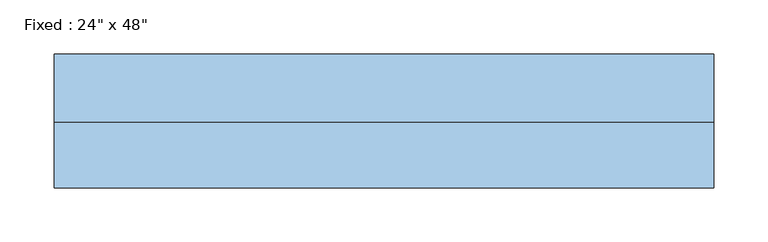
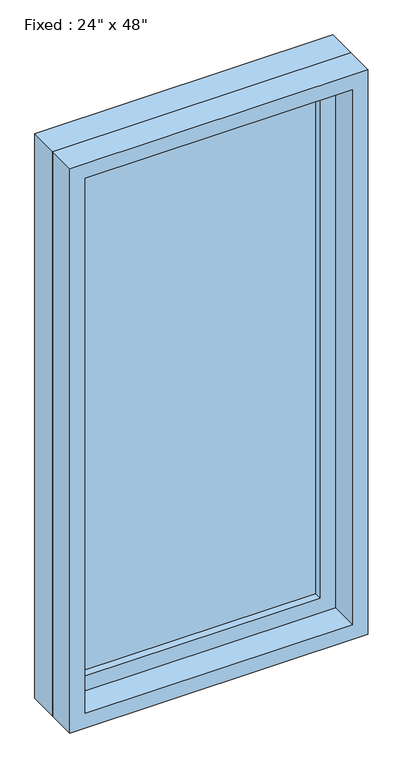
"""IFC4 building model written with IfcOpenShell, lengths in millimetres: window geometry."""

from ifc_helpers import new_model, si_unit, frame, origin, place, context, project, spatial, polyline, outline, extrude, source, transform, mapped, element, save


def window_767f6805(model_context):
    return source(origin(), model_context, "Body", "SweptSolid", [
        extrude(outline(polyline([(203.2, 14.2875), (-279.4, 14.2875), (-279.4, 26.9875), (203.2, 26.9875), (203.2, 14.2875)])), frame((0.0, 0.0, 977.9), z_axis=(0.0, 0.0, 1.0), x_axis=(1.0, 0.0, 0.0)), (0.0, 0.0, 1.0), 1092.2),
        extrude(outline(polyline([(2114.55, -323.85), (933.45, -323.85), (933.45, 247.65), (2114.55, 247.65), (2114.55, -323.85)]), holes=[polyline([(2070.1, -279.4), (2070.1, 203.2), (977.9, 203.2), (977.9, -279.4), (2070.1, -279.4)])]), frame((0.0, -1.5875, 0.0), z_axis=(0.0, 1.0, 0.0), x_axis=(0.0, 0.0, 1.0)), (0.0, 0.0, 1.0), 44.45),
        extrude(outline(polyline([(2133.6, -342.9), (914.4, -342.9), (914.4, 266.7), (2133.6, 266.7), (2133.6, -342.9)]), holes=[polyline([(2101.85, -311.15), (2101.85, 234.95), (946.15, 234.95), (946.15, -311.15), (2101.85, -311.15)])]), frame((0.0, -61.9125, 0.0), z_axis=(0.0, 1.0, 0.0), x_axis=(0.0, 0.0, 1.0)), (0.0, 0.0, 1.0), 60.325),
        extrude(outline(polyline([(2133.6, 266.7), (2133.6, -342.9), (914.4, -342.9), (914.4, 266.7), (2133.6, 266.7)]), holes=[polyline([(2114.55, 247.65), (933.45, 247.65), (933.45, -323.85), (2114.55, -323.85), (2114.55, 247.65)])]), frame((0.0, -1.5875, 0.0), z_axis=(0.0, 1.0, 0.0), x_axis=(0.0, 0.0, 1.0)), (0.0, 0.0, 1.0), 63.5),
    ])


if __name__ == "__main__":
    model = new_model("IFC4")
    model_context = context("Model", 3, world=origin())
    ifc_project = project(units=[si_unit("LENGTHUNIT", "METRE", prefix="MILLI")], contexts=[model_context])
    site = spatial("IfcSite", under=ifc_project)
    building = spatial("IfcBuilding", under=site)
    placement = place(None, origin())
    window_shape = window_767f6805(model_context)
    element("IfcWindow", 1, ObjectType="Fixed : 24\" x 48\"", at=placement, inside=building, context=model_context, shape_type="MappedRepresentation", body=[
        mapped(window_shape, transform((0.0, 0.0, 0.0), x_axis=(1.0, 0.0, 0.0), y_axis=(0.0, 1.0, 0.0), z_axis=(0.0, 0.0, 1.0))),
    ])
    save(model, "model.ifc")
